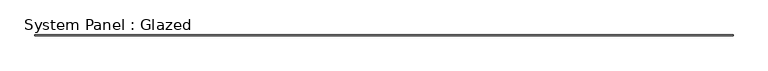
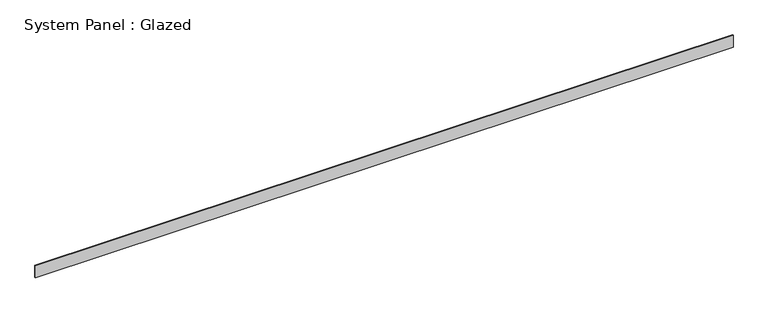
"""IFC4 building model written with IfcOpenShell, lengths in millimetres: plate geometry, System Panel : Glazed."""

from ifc_helpers import new_model, si_unit, origin, origin_with_axes, place, context, project, spatial, polyline, outline, extrude, source, transform, mapped, element, save


def system_panel_glazed_4f3919c0(model_context):
    return source(origin(), model_context, "Body", "SweptSolid", [
        extrude(outline(polyline([(9669.7436638, 24.5), (-9669.7436638, 24.5), (-9669.7436638, 49.5), (9669.7436638, 49.5), (9669.7436638, 24.5)])), origin_with_axes(), (0.0, 0.0, 1.0), 350.0),
    ])


if __name__ == "__main__":
    model = new_model("IFC4")
    model_context = context("Model", 3, world=origin())
    ifc_project = project(units=[si_unit("LENGTHUNIT", "METRE", prefix="MILLI")], contexts=[model_context])
    site = spatial("IfcSite", under=ifc_project)
    building = spatial("IfcBuilding", under=site)
    placement = place(None, origin())
    system_panel_glazed_shape = system_panel_glazed_4f3919c0(model_context)
    element("IfcPlate", 1, ObjectType="System Panel : Glazed", at=placement, inside=building, context=model_context, shape_type="MappedRepresentation", body=[
        mapped(system_panel_glazed_shape, transform((0.0, 0.0, 0.0), x_axis=(1.0, 0.0, 0.0), y_axis=(0.0, 1.0, 0.0), z_axis=(0.0, 0.0, 1.0))),
    ])
    save(model, "model.ifc")
